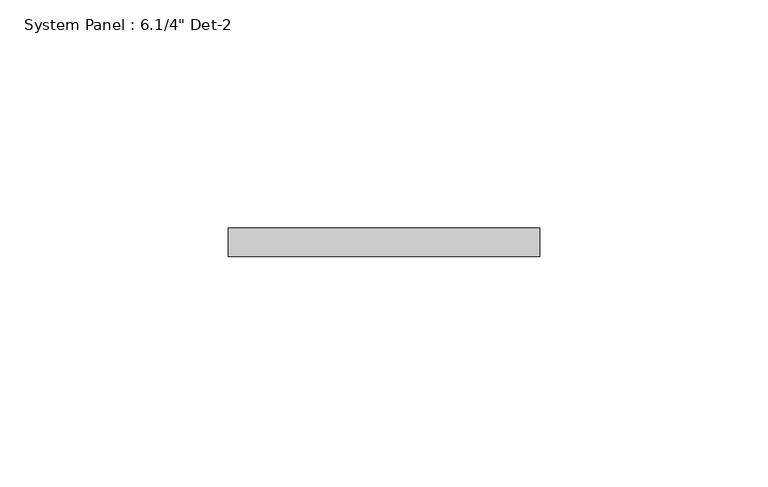
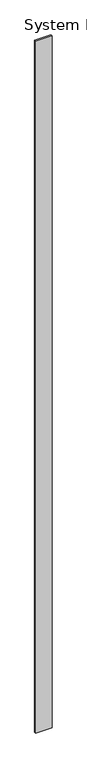
"""IFC4 building model written with IfcOpenShell, lengths in millimetres: plate geometry."""

from ifc_helpers import new_model, si_unit, origin, origin_with_axes, place, context, project, spatial, polyline, outline, extrude, source, transform, mapped, element, save


def plate_974ec558(model_context):
    return source(origin(), model_context, "Body", "SweptSolid", [
        extrude(outline(polyline([(34.1964419, -6.35), (-34.1964419, -6.35), (-34.1964419, 0.0), (34.1964419, 0.0), (34.1964419, -6.35)])), origin_with_axes(), (0.0, 0.0, 1.0), 3048.0),
    ])


if __name__ == "__main__":
    model = new_model("IFC4")
    model_context = context("Model", 3, world=origin())
    ifc_project = project(units=[si_unit("LENGTHUNIT", "METRE", prefix="MILLI")], contexts=[model_context])
    site = spatial("IfcSite", under=ifc_project)
    building = spatial("IfcBuilding", under=site)
    placement = place(None, origin())
    plate_shape = plate_974ec558(model_context)
    element("IfcPlate", 1, ObjectType="System Panel : 6.1/4\" Det-2", at=placement, inside=building, context=model_context, shape_type="MappedRepresentation", body=[
        mapped(plate_shape, transform((0.0, 0.0, 0.0), x_axis=(1.0, 0.0, 0.0), y_axis=(0.0, 1.0, 0.0), z_axis=(0.0, 0.0, 1.0))),
    ])
    save(model, "model.ifc")
